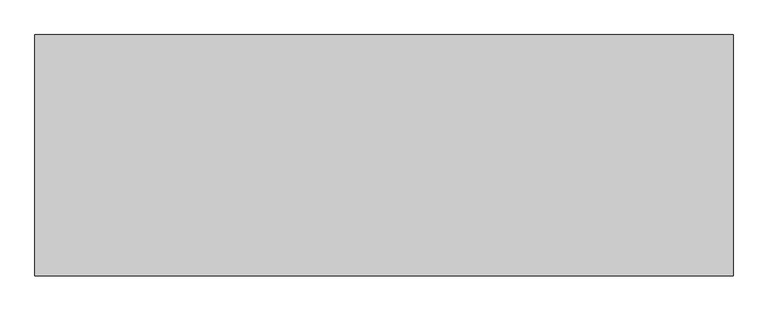
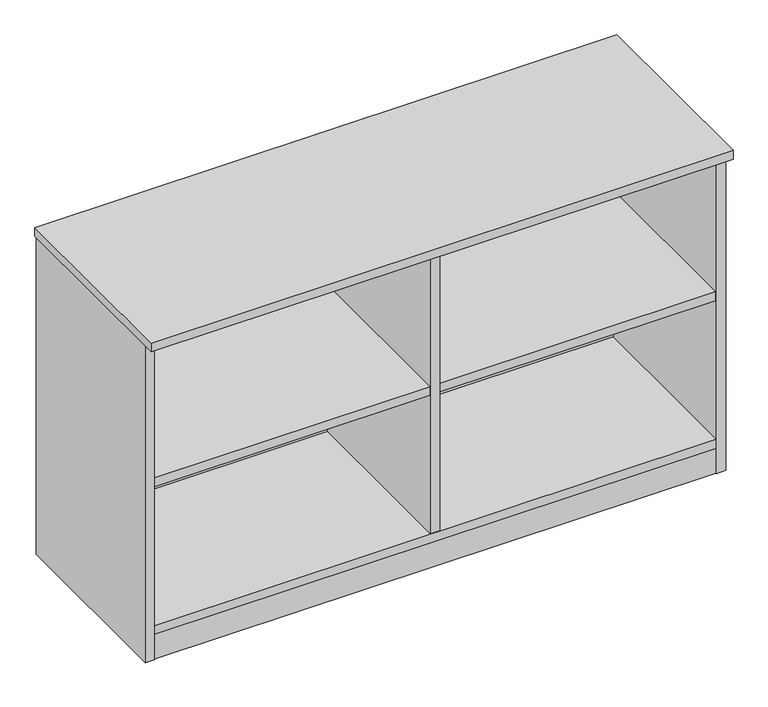
"""IFC4 building model written with IfcOpenShell, lengths in millimetres: furniture geometry."""

from ifc_helpers import new_model, si_unit, point, frame, frame_2d, origin, origin_with_axes, place, context, project, spatial, polyline, circle_curve, trimmed, segment, composite_curve, outline, extrude, source, transform, mapped, element, save


def furniture_ee9a1a18(model_context):
    return source(origin(), model_context, "Body", "SweptSolid", [
        extrude(outline(composite_curve([segment(trimmed(circle_curve(frame_2d((606.425004, -217.6283713)), 4.445), [point((610.870004, -217.6283713))], [point((601.980004, -217.6283713))], False, "CARTESIAN"), True, "CONTINUOUS"), segment(trimmed(circle_curve(frame_2d((606.425004, -217.6283713)), 4.445), [point((601.980004, -217.6283713))], [point((610.870004, -217.6283713))], False, "CARTESIAN"), True, "CONTINUOUS")], self_intersect=False)), frame((0.0, 0.0, 7.112), z_axis=(0.0, 0.0, 1.0), x_axis=(1.0, 0.0, 0.0)), (0.0, 0.0, 1.0), 2.032),
        extrude(outline(polyline([(612.1122227, -207.7297009), (617.8272227, -217.6283713), (612.1122227, -227.5270417), (600.6822227, -227.5270417), (594.9672227, -217.6283713), (600.6822227, -207.7297009), (612.1122227, -207.7297009)])), origin_with_axes(), (0.0, 0.0, 1.0), 9.144),
        extrude(outline(composite_curve([segment(trimmed(circle_curve(frame_2d((568.198004, -246.2033713)), 3.175), [point((568.198004, -249.3783713))], [point((565.023004, -246.2033713))], False, "CARTESIAN"), True, "CONTINUOUS"), segment(polyline([(565.023004, -246.2033713), (565.023004, -189.0533713)]), True, "CONTINUOUS"), segment(trimmed(circle_curve(frame_2d((568.198004, -189.0533713)), 3.175), [point((565.023004, -189.0533713))], [point((568.198004, -185.8783713))], False, "CARTESIAN"), True, "CONTINUOUS"), segment(polyline([(568.198004, -185.8783713), (644.652004, -185.8783713)]), True, "CONTINUOUS"), segment(trimmed(circle_curve(frame_2d((644.652004, -189.0533713)), 3.175), [point((644.652004, -185.8783713))], [point((647.827004, -189.0533713))], False, "CARTESIAN"), True, "CONTINUOUS"), segment(polyline([(647.827004, -189.0533713), (647.827004, -246.2033713)]), True, "CONTINUOUS"), segment(trimmed(circle_curve(frame_2d((644.652004, -246.2033713)), 3.175), [point((647.827004, -246.2033713))], [point((644.652004, -249.3783713))], False, "CARTESIAN"), True, "CONTINUOUS"), segment(polyline([(644.652004, -249.3783713), (568.198004, -249.3783713)]), True, "CONTINUOUS")], self_intersect=False)), frame((0.0, 0.0, 58.3692), z_axis=(0.0, 0.0, 1.0), x_axis=(1.0, 0.0, 0.0)), (0.0, 0.0, 1.0), 1.89738),
        extrude(outline(composite_curve([segment(polyline([(617.855004, -230.3283713), (594.995004, -230.3283713)]), True, "CONTINUOUS"), segment(trimmed(circle_curve(frame_2d((594.995004, -229.0583713)), 1.27), [point((594.995004, -230.3283713))], [point((593.725004, -229.0583713))], False, "CARTESIAN"), True, "CONTINUOUS"), segment(polyline([(593.725004, -229.0583713), (593.725004, -206.1983713)]), True, "CONTINUOUS"), segment(trimmed(circle_curve(frame_2d((594.995004, -206.1983713)), 1.27), [point((593.725004, -206.1983713))], [point((594.995004, -204.9283713))], False, "CARTESIAN"), True, "CONTINUOUS"), segment(polyline([(594.995004, -204.9283713), (617.855004, -204.9283713)]), True, "CONTINUOUS"), segment(trimmed(circle_curve(frame_2d((617.855004, -206.1983713)), 1.27), [point((617.855004, -204.9283713))], [point((619.125004, -206.1983713))], False, "CARTESIAN"), True, "CONTINUOUS"), segment(polyline([(619.125004, -206.1983713), (619.125004, -229.0583713)]), True, "CONTINUOUS"), segment(trimmed(circle_curve(frame_2d((617.855004, -229.0583713)), 1.27), [point((619.125004, -229.0583713))], [point((617.855004, -230.3283713))], False, "CARTESIAN"), True, "CONTINUOUS")], self_intersect=False)), frame((0.0, 0.0, 9.144), z_axis=(0.0, 0.0, 1.0), x_axis=(1.0, 0.0, 0.0)), (0.0, 0.0, 1.0), 49.2252),
        extrude(outline(polyline([(1150.5192101, -345.6355984), (1166.4670679, -336.4280984), (1182.4149258, -345.6355984), (1182.4149258, -364.0505984), (1166.4670679, -373.2580984), (1150.5192101, -364.0505984), (1150.5192101, -345.6355984)])), origin_with_axes(), (0.0, 0.0, 1.0), 9.144),
        extrude(outline(polyline([(1150.5192101, -47.1181713), (1166.4670679, -37.9106713), (1182.4149258, -47.1181713), (1182.4149258, -65.5331713), (1166.4670679, -74.7406713), (1150.5192101, -65.5331713), (1150.5192101, -47.1181713)])), origin_with_axes(), (0.0, 0.0, 1.0), 9.144),
        extrude(outline(polyline([(30.4350822, -345.6355984), (46.38294, -336.4280984), (62.3307978, -345.6355984), (62.3307978, -364.0505984), (46.38294, -373.2580984), (30.4350822, -364.0505984), (30.4350822, -345.6355984)])), origin_with_axes(), (0.0, 0.0, 1.0), 9.144),
        extrude(outline(polyline([(30.4350822, -47.1181713), (46.38294, -37.9106713), (62.3307978, -47.1181713), (62.3307978, -65.5331713), (46.38294, -74.7406713), (30.4350822, -65.5331713), (30.4350822, -47.1181713)])), origin_with_axes(), (0.0, 0.0, 1.0), 9.144),
        extrude(outline(polyline([(1191.3235233, -30.4938704), (1191.3235233, -400.8258374), (616.7120079, -400.8258374), (616.7120079, -30.4938704), (1191.3235233, -30.4938704)])), frame((0.0, 0.0, 384.37058), z_axis=(0.0, 0.0, 1.0), x_axis=(1.0, 0.0, 0.0)), (0.0, 0.0, 1.0), 19.304),
        extrude(outline(polyline([(1191.9585233, -401.5878548), (20.8915005, -401.5878548), (20.8915005, -382.2838548), (1191.9585233, -382.2838548), (1191.9585233, -401.5878548)])), frame((0.0, 0.0, 4.699), z_axis=(0.0, 0.0, 1.0), x_axis=(1.0, 0.0, 0.0)), (0.0, 0.0, 1.0), 55.56758),
        extrude(outline(polyline([(1191.9585233, -30.4938704), (1191.9585233, -402.7308447), (20.8915005, -402.7308447), (20.8915005, -30.4938704), (1191.9585233, -30.4938704)])), frame((0.0, 0.0, 685.546), z_axis=(0.0, 0.0, 1.0), x_axis=(1.0, 0.0, 0.0)), (0.0, 0.0, 1.0), 19.304),
        extrude(outline(polyline([(616.0770079, -30.4938704), (616.0770079, -401.5878548), (596.773, -401.5878548), (596.773, -30.4938704), (616.0770079, -30.4938704)])), frame((0.0, 0.0, 79.57058), z_axis=(0.0, 0.0, 1.0), x_axis=(1.0, 0.0, 0.0)), (0.0, 0.0, 1.0), 605.97542),
        extrude(outline(polyline([(596.138, -30.4938704), (596.138, -400.8258374), (21.5265, -400.8258374), (21.5265, -30.4938704), (596.138, -30.4938704)])), frame((0.0, 0.0, 384.37058), z_axis=(0.0, 0.0, 1.0), x_axis=(1.0, 0.0, 0.0)), (0.0, 0.0, 1.0), 19.304),
        extrude(outline(polyline([(1212.8500079, -8.0783713), (1212.8500079, -427.1783713), (0.0, -427.1783713), (0.0, -8.0783713), (1212.8500079, -8.0783713)])), frame((0.0, 0.0, 704.8500031), z_axis=(0.0, 0.0, 1.0), x_axis=(1.0, 0.0, 0.0)), (0.0, 0.0, 1.0), 19.3039969),
        extrude(outline(polyline([(1191.9585233, -30.4938704), (1191.9585233, -402.7308447), (20.8915005, -402.7308447), (20.8915005, -30.4938704), (1191.9585233, -30.4938704)])), frame((0.0, 0.0, 60.26658), z_axis=(0.0, 0.0, 1.0), x_axis=(1.0, 0.0, 0.0)), (0.0, 0.0, 1.0), 19.304),
        extrude(outline(polyline([(1191.9585233, -11.1898712), (1191.9585233, -30.4938704), (20.8915005, -30.4938704), (20.8915005, -11.1898712), (1191.9585233, -11.1898712)])), frame((0.0, 0.0, 4.699), z_axis=(0.0, 0.0, 1.0), x_axis=(1.0, 0.0, 0.0)), (0.0, 0.0, 1.0), 700.151),
        extrude(outline(polyline([(20.8915005, -9.6658713), (20.8915005, -403.1118534), (1.5875, -403.1118534), (1.5875, -9.6658713), (20.8915005, -9.6658713)])), frame((0.0, 0.0, 4.699), z_axis=(0.0, 0.0, 1.0), x_axis=(1.0, 0.0, 0.0)), (0.0, 0.0, 1.0), 700.151),
        extrude(outline(polyline([(1191.9585233, -9.6658713), (1211.2625238, -9.6658713), (1211.2625238, -403.1118534), (1191.9585233, -403.1118534), (1191.9585233, -9.6658713)])), frame((0.0, 0.0, 4.699), z_axis=(0.0, 0.0, 1.0), x_axis=(1.0, 0.0, 0.0)), (0.0, 0.0, 1.0), 700.151),
    ])


if __name__ == "__main__":
    model = new_model("IFC4")
    model_context = context("Model", 3, world=origin())
    ifc_project = project(units=[si_unit("LENGTHUNIT", "METRE", prefix="MILLI")], contexts=[model_context])
    site = spatial("IfcSite", under=ifc_project)
    building = spatial("IfcBuilding", under=site)
    placement = place(None, origin())
    furniture_shape = furniture_ee9a1a18(model_context)
    element("IfcFurniture", 1, at=placement, inside=building, context=model_context, shape_type="MappedRepresentation", body=[
        mapped(furniture_shape, transform((0.0, 0.0, 0.0), x_axis=(1.0, 0.0, 0.0), y_axis=(0.0, 1.0, 0.0), z_axis=(0.0, 0.0, 1.0))),
    ])
    save(model, "model.ifc")
